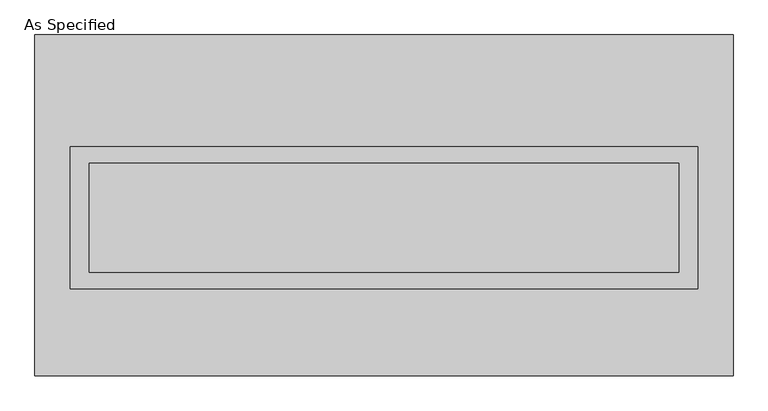
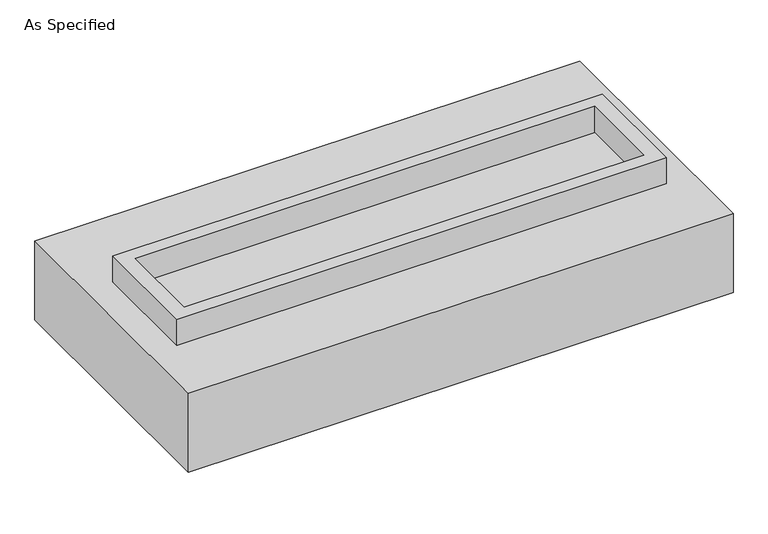
"""IFC4 building model written with IfcOpenShell, lengths in millimetres: proxy geometry, As Specified."""

from ifc_helpers import new_model, si_unit, frame, origin, place, context, project, spatial, polyline, outline, extrude, source, transform, mapped, element, save


def as_specified_176dbfb2(model_context):
    return source(origin(), model_context, "Body", "SweptSolid", [
        extrude(outline(polyline([(1460.5, 273.05), (1460.5, -387.35), (-1460.5, -387.35), (-1460.5, 273.05), (1460.5, 273.05)]), holes=[polyline([(1371.6, 196.85), (-1371.6, 196.85), (-1371.6, -311.15), (1371.6, -311.15), (1371.6, 196.85)])]), frame((0.0, 0.0, -688.975), z_axis=(0.0, 0.0, 1.0), x_axis=(1.0, 0.0, 0.0)), (0.0, 0.0, 1.0), 165.1),
        extrude(outline(polyline([(1460.5, 273.05), (1460.5, -387.35), (-1460.5, -387.35), (-1460.5, 273.05), (1460.5, 273.05)]), holes=[polyline([(1371.6, 196.85), (-1371.6, 196.85), (-1371.6, -311.15), (1371.6, -311.15), (1371.6, 196.85)])]), frame((0.0, 0.0, -25.4), z_axis=(0.0, 0.0, 1.0), x_axis=(1.0, 0.0, 0.0)), (0.0, 0.0, 1.0), 165.1),
        extrude(outline(polyline([(1371.6, 196.85), (1371.6, -311.15), (-1371.6, -311.15), (-1371.6, 196.85), (1371.6, 196.85)])), frame((0.0, 0.0, -523.875), z_axis=(0.0, 0.0, 1.0), x_axis=(1.0, 0.0, 0.0)), (0.0, 0.0, 1.0), 4.9609375),
        extrude(outline(polyline([(1371.6, 196.85), (1371.6, -311.15), (-1371.6, -311.15), (-1371.6, 196.85), (1371.6, 196.85)])), frame((0.0, 0.0, -30.3609375), z_axis=(0.0, 0.0, 1.0), x_axis=(1.0, 0.0, 0.0)), (0.0, 0.0, 1.0), 4.9609375),
        extrude(outline(polyline([(1625.6, -793.75), (-1625.6, -793.75), (-1625.6, 793.75), (1625.6, 793.75), (1625.6, -793.75)]), holes=[polyline([(-1460.5, 273.05), (-1460.5, -387.35), (1460.5, -387.35), (1460.5, 273.05), (-1460.5, 273.05)])]), frame((0.0, 0.0, -523.875), z_axis=(0.0, 0.0, 1.0), x_axis=(1.0, 0.0, 0.0)), (0.0, 0.0, 1.0), 498.475),
    ])


if __name__ == "__main__":
    model = new_model("IFC4")
    model_context = context("Model", 3, world=origin())
    ifc_project = project(units=[si_unit("LENGTHUNIT", "METRE", prefix="MILLI")], contexts=[model_context])
    site = spatial("IfcSite", under=ifc_project)
    building = spatial("IfcBuilding", under=site)
    placement = place(None, origin())
    as_specified_shape = as_specified_176dbfb2(model_context)
    element("IfcBuildingElementProxy", 1, Name="As Specified", ObjectType="As Specified", at=placement, inside=building, context=model_context, shape_type="MappedRepresentation", body=[
        mapped(as_specified_shape, transform((0.0, 0.0, 0.0), x_axis=(1.0, 0.0, 0.0), y_axis=(0.0, 1.0, 0.0), z_axis=(0.0, 0.0, 1.0))),
    ])
    save(model, "model.ifc")
